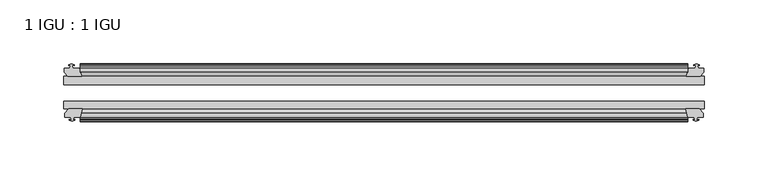
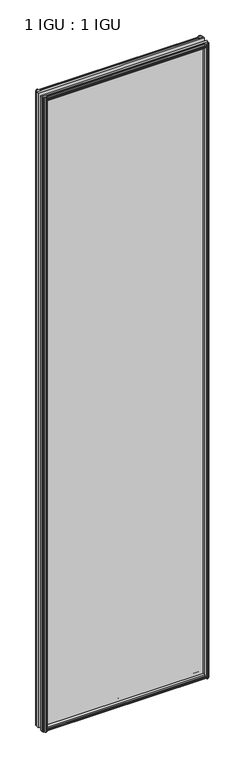
"""IFC4 building model written with IfcOpenShell, lengths in millimetres: plate geometry, 1 IGU : 1 IGU."""

from ifc_helpers import new_model, si_unit, frame, origin, place, context, project, spatial, polyline, outline, extrude, source, transform, mapped, element, save


def plate_1_igu_1_igu_507116f3(model_context):
    return source(origin(), model_context, "Body", "SweptSolid", [
        extrude(outline(polyline([(-25.8960937, 1.1970181), (-19.5460937, -0.5207), (-19.5460937, -5.7277), (-17.1658968, -6.1087), (-17.62583, -4.6931709), (-16.8246158, -4.6931709), (-16.1170937, -6.8707), (-16.8246158, -9.0482291), (-17.62583, -9.0482291), (-17.1658968, -7.6327), (-19.5460937, -8.0137), (-19.5460937, -12.4587), (-22.4924937, -12.4587), (-25.8960937, -9.6243578), (-25.8960937, 1.1970181)])), frame((-237.6551763, 0.0, 0.0), z_axis=(1.0, 0.0, 0.0), x_axis=(0.0, 1.0, 0.0)), (0.0, 0.0, 1.0), 475.3103526),
        extrude(outline(polyline([(-51.2960937, 1.7177181), (-51.2960937, -9.1036578), (-54.6996937, -11.938), (-57.6460937, -11.938), (-57.6460937, -7.493), (-60.0262907, -7.112), (-59.5663575, -8.5275291), (-60.3675717, -8.5275291), (-61.0750937, -6.35), (-60.3675717, -4.1724709), (-59.5663575, -4.1724709), (-60.0262907, -5.588), (-57.6460937, -5.207), (-57.6460937, 0.0), (-51.2960937, 1.7177181)])), frame((-237.6551763, 0.0, 0.0), z_axis=(1.0, 0.0, 0.0), x_axis=(0.0, 1.0, 0.0)), (0.0, 0.0, 1.0), 475.3103526),
        extrude(outline(polyline([(-57.6460937, 2005.838), (-54.6996937, 2005.838), (-51.2960937, 2003.0036578), (-51.2960937, 1992.1822819), (-57.6460937, 1993.9), (-57.6460937, 1999.107), (-60.0262907, 1999.488), (-59.5663575, 1998.072471), (-60.3675717, 1998.072471), (-61.0750937, 2000.25), (-60.3675717, 2002.4275291), (-59.5663575, 2002.4275291), (-60.0262907, 2001.012), (-57.6460937, 2001.393), (-57.6460937, 2005.838)])), frame((-237.6551763, 0.0, 0.0), z_axis=(1.0, 0.0, 0.0), x_axis=(0.0, 1.0, 0.0)), (0.0, 0.0, 1.0), 475.3103526),
        extrude(outline(polyline([(-19.5460937, 2006.3587), (-19.5460937, 2001.9137), (-17.1658968, 2001.5327), (-17.62583, 2002.9482291), (-16.8246158, 2002.9482291), (-16.1170937, 2000.7707), (-16.8246158, 1998.593171), (-17.62583, 1998.593171), (-17.1658968, 2000.0087), (-19.5460937, 1999.6277), (-19.5460937, 1994.4207), (-25.8960937, 1992.7029819), (-25.8960937, 2003.5243578), (-22.4924937, 2006.3587), (-19.5460937, 2006.3587)])), frame((-237.6551763, 0.0, 0.0), z_axis=(1.0, 0.0, 0.0), x_axis=(0.0, 1.0, 0.0)), (0.0, 0.0, 1.0), 475.3103526),
        extrude(outline(polyline([(-244.5258763, -16.1170937), (-242.3483472, -16.8246158), (-242.3483472, -17.62583), (-243.7638763, -17.1658968), (-243.3828763, -19.5460937), (-238.1758763, -19.5460937), (-236.4581582, -25.8960937), (-247.2795341, -25.8960937), (-250.1138763, -22.4924937), (-250.1138763, -19.5460937), (-245.6688763, -19.5460937), (-245.2878763, -17.1658968), (-246.7034053, -17.62583), (-246.7034053, -16.8246158), (-244.5258763, -16.1170937)])), frame((0.0, 0.0, -12.7), z_axis=(0.0, 0.0, 1.0), x_axis=(1.0, 0.0, 0.0)), (0.0, 0.0, 1.0), 2019.3),
        extrude(outline(polyline([(-244.0051763, -61.0750938), (-246.1827053, -60.3675717), (-246.1827053, -59.5663575), (-244.7671763, -60.0262907), (-245.1481763, -57.6460938), (-249.5931763, -57.6460938), (-249.5931763, -54.6996938), (-246.7588341, -51.2960937), (-235.9374582, -51.2960937), (-237.6551763, -57.6460938), (-242.8621763, -57.6460938), (-243.2431763, -60.0262907), (-241.8276472, -59.5663575), (-241.8276472, -60.3675717), (-244.0051763, -61.0750938)])), frame((0.0, 0.0, -12.7), z_axis=(0.0, 0.0, 1.0), x_axis=(1.0, 0.0, 0.0)), (0.0, 0.0, 1.0), 2019.3),
        extrude(outline(polyline([(243.3828763, -19.5460937), (243.7638763, -17.1658968), (242.3483472, -17.62583), (242.3483472, -16.8246158), (244.5258763, -16.1170937), (246.7034053, -16.8246158), (246.7034053, -17.62583), (245.2878763, -17.1658968), (245.6688763, -19.5460937), (250.1138763, -19.5460937), (250.1138763, -22.4924937), (247.2795341, -25.8960937), (236.4581582, -25.8960937), (238.1758763, -19.5460937), (243.3828763, -19.5460937)])), frame((0.0, 0.0, -12.7), z_axis=(0.0, 0.0, 1.0), x_axis=(1.0, 0.0, 0.0)), (0.0, 0.0, 1.0), 2019.3),
        extrude(outline(polyline([(246.7588341, -51.2960937), (249.5931763, -54.6996937), (249.5931763, -57.6460937), (245.1481763, -57.6460937), (244.7671763, -60.0262907), (246.1827053, -59.5663575), (246.1827053, -60.3675717), (244.0051763, -61.0750937), (241.8276472, -60.3675717), (241.8276472, -59.5663575), (243.2431763, -60.0262907), (242.8621763, -57.6460937), (237.6551763, -57.6460937), (235.9374582, -51.2960937), (246.7588341, -51.2960937)])), frame((0.0, 0.0, -12.7), z_axis=(0.0, 0.0, 1.0), x_axis=(1.0, 0.0, 0.0)), (0.0, 0.0, 1.0), 2019.3),
        extrude(outline(polyline([(-250.3551763, -25.8960937), (250.3551763, -25.8960937), (250.3551763, -32.2460937), (-250.3551763, -32.2460937), (-250.3551763, -25.8960937)])), frame((0.0, 0.0, -12.7), z_axis=(0.0, 0.0, 1.0), x_axis=(1.0, 0.0, 0.0)), (0.0, 0.0, 1.0), 2019.3),
        extrude(outline(polyline([(250.3551763, -45.2686737), (250.3551763, -51.2960937), (-250.3551763, -51.2960937), (-250.3551763, -45.2686737), (250.3551763, -45.2686737)])), frame((0.0, 0.0, -12.7), z_axis=(0.0, 0.0, 1.0), x_axis=(1.0, 0.0, 0.0)), (0.0, 0.0, 1.0), 2019.3),
    ])


if __name__ == "__main__":
    model = new_model("IFC4")
    model_context = context("Model", 3, world=origin())
    ifc_project = project(units=[si_unit("LENGTHUNIT", "METRE", prefix="MILLI")], contexts=[model_context])
    site = spatial("IfcSite", under=ifc_project)
    building = spatial("IfcBuilding", under=site)
    placement = place(None, origin())
    plate_1_igu_1_igu_shape = plate_1_igu_1_igu_507116f3(model_context)
    element("IfcPlate", 1, ObjectType="1 IGU : 1 IGU", at=placement, inside=building, context=model_context, shape_type="MappedRepresentation", body=[
        mapped(plate_1_igu_1_igu_shape, transform((0.0, 0.0, 0.0), x_axis=(1.0, 0.0, 0.0), y_axis=(0.0, 1.0, 0.0), z_axis=(0.0, 0.0, 1.0))),
    ])
    save(model, "model.ifc")
